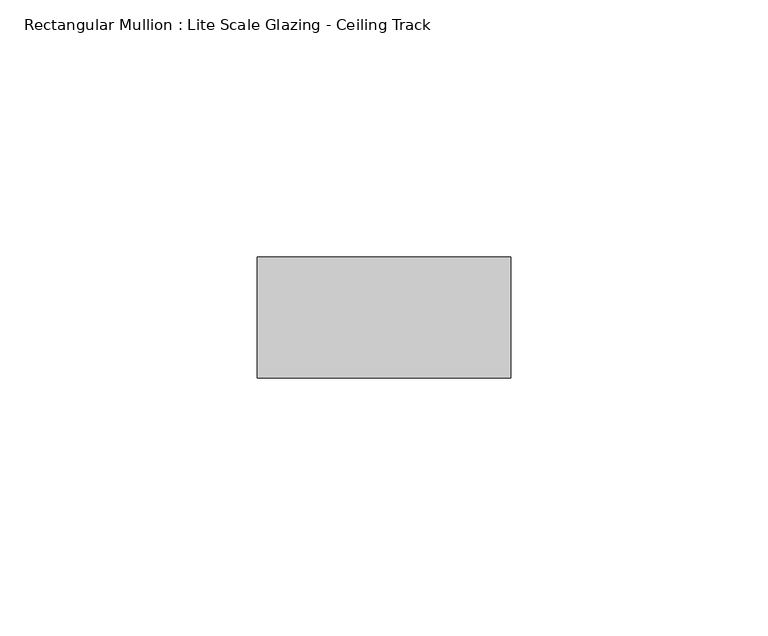
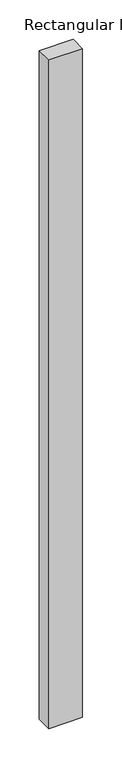
"""IFC4 building model written with IfcOpenShell, lengths in millimetres: member geometry, Rectangular Mullion : Lite Scale Glazing - Ceiling Track."""

from ifc_helpers import new_model, si_unit, frame, origin, place, context, project, spatial, polyline, outline, extrude, source, transform, mapped, element, save


def rectangular_mullion_lite_scale_glazing_ceiling_track_16530161(model_context):
    return source(origin(), model_context, "Body", "SweptSolid", [
        extrude(outline(polyline([(-49.276, -11.7474999), (-49.276, 11.7474999), (0.0, 11.7474999), (0.0, -11.7474999), (-49.276, -11.7474999)])), frame((0.0, 0.0, -1035.0996301), z_axis=(0.0, 0.0, 1.0), x_axis=(1.0, 0.0, 0.0)), (0.0, 0.0, 1.0), 1035.0996301),
    ])


if __name__ == "__main__":
    model = new_model("IFC4")
    model_context = context("Model", 3, world=origin())
    ifc_project = project(units=[si_unit("LENGTHUNIT", "METRE", prefix="MILLI")], contexts=[model_context])
    site = spatial("IfcSite", under=ifc_project)
    building = spatial("IfcBuilding", under=site)
    placement = place(None, origin())
    rectangular_mullion_lite_scale_glazing_ceiling_track_shape = rectangular_mullion_lite_scale_glazing_ceiling_track_16530161(model_context)
    element("IfcMember", 1, ObjectType="Rectangular Mullion : Lite Scale Glazing - Ceiling Track", at=placement, inside=building, context=model_context, shape_type="MappedRepresentation", body=[
        mapped(rectangular_mullion_lite_scale_glazing_ceiling_track_shape, transform((0.0, 0.0, 0.0), x_axis=(1.0, 0.0, 0.0), y_axis=(0.0, 1.0, 0.0), z_axis=(0.0, 0.0, 1.0))),
    ])
    save(model, "model.ifc")
